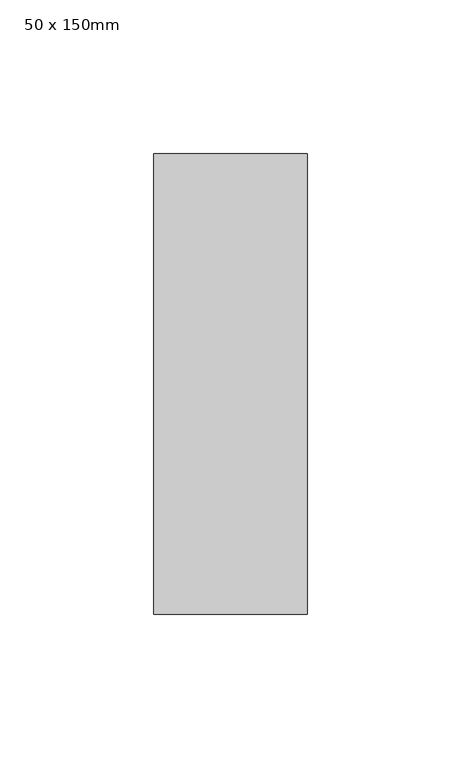
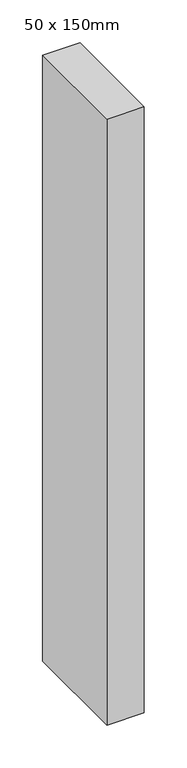
"""IFC4 building model written with IfcOpenShell, lengths in millimetres: member geometry, 50 x 150mm."""

import ifcopenshell
import ifcopenshell.guid

model = None  # the IFC model being written
_history = None  # IfcOwnerHistory: only IFC2X3 demands one
_inside = {}  # id of a spatial element -> (the spatial element, [elements in it])
_under = {}  # id of a project, library or spatial element -> (it, [spatial elements below it])
_declared = {}  # id of a project -> (the project, [libraries it declares])
_typed = {}  # id of a type object -> (the type object, [elements of that type])
_made_of = {}  # id of a material, layer set ... -> (it, [elements and type objects made of it])


def new_model(schema):
    """Start an empty IFC model of exactly this schema.

    Asked for "IFC4X3", IfcOpenShell would pick the latest addendum, in which some entities
    have other attributes; the version numbers below select the first issue.
    IFC2X3 requires an IfcOwnerHistory on every rooted entity: one is made here for all.
    """
    global model, _history
    if schema == "IFC4X3":
        model = ifcopenshell.file(schema_version=(4, 3, 0, 0))
    else:
        model = ifcopenshell.file(schema=schema)
    _inside.clear()
    _under.clear()
    _declared.clear()
    _typed.clear()
    _made_of.clear()
    _history = None
    if model.schema == "IFC2X3":
        org = make("IfcOrganization", Name="unknown")
        user = make(
            "IfcPersonAndOrganization",
            ThePerson=make("IfcPerson", FamilyName="unknown"),
            TheOrganization=org,
        )
        app = make(
            "IfcApplication",
            ApplicationDeveloper=org,
            Version="unknown",
            ApplicationFullName="unknown",
            ApplicationIdentifier="unknown",
        )
        _history = make(
            "IfcOwnerHistory",
            OwningUser=user,
            OwningApplication=app,
            ChangeAction="ADDED",
            CreationDate=0,
        )
    return model


def make(cls, **values):
    """One entity of the class cls with the attributes given. An attribute that is None is left unset."""
    return model.create_entity(
        cls, **{name: value for name, value in values.items() if value is not None}
    )


def rooted(cls, **values):
    """An entity with a GlobalId (a new one), such as an element, a storey or a relation."""
    return make(cls, GlobalId=ifcopenshell.guid.new(), OwnerHistory=_history, **values)


def si_unit(unit_type, name, prefix=None):
    """IfcSIUnit, for example si_unit("LENGTHUNIT", "METRE", prefix="MILLI")."""
    return make("IfcSIUnit", UnitType=unit_type, Prefix=prefix, Name=name)


def assignment(units):
    """IfcUnitAssignment: the units of a project."""
    return None if units is None else make("IfcUnitAssignment", Units=units)


def point(xyz):
    """IfcCartesianPoint."""
    return None if xyz is None else make("IfcCartesianPoint", Coordinates=xyz)


def direction(xyz):
    """IfcDirection."""
    return None if xyz is None else make("IfcDirection", DirectionRatios=xyz)


def frame(location, z_axis=None, x_axis=None):
    """IfcAxis2Placement3D, a coordinate frame: its origin and axes. An axis left out is left unset."""
    return make(
        "IfcAxis2Placement3D",
        Location=point(location),
        Axis=direction(z_axis),
        RefDirection=direction(x_axis),
    )


def origin():
    """The frame at (0, 0, 0) with its axes left unset."""
    return frame((0.0, 0.0, 0.0))


def place(relative_to, where):
    """IfcLocalPlacement: puts the frame where relative to a parent placement (None: the world)."""
    return make(
        "IfcLocalPlacement", PlacementRelTo=relative_to, RelativePlacement=where
    )


def context(
    kind, dimensions, precision=None, world=None, true_north=None, identifier=None
):
    """IfcGeometricRepresentationContext, for example the 3D "Model" context."""
    return make(
        "IfcGeometricRepresentationContext",
        ContextIdentifier=identifier,
        ContextType=kind,
        CoordinateSpaceDimension=dimensions,
        Precision=precision,
        WorldCoordinateSystem=world,
        TrueNorth=true_north,
    )


def project(units=None, contexts=None):
    """IfcProject with its units and contexts."""
    return rooted(
        "IfcProject",
        Name="project",
        RepresentationContexts=contexts,
        UnitsInContext=assignment(units),
    )


def spatial(cls, under=None, at=None, **own):
    """A site, building, storey or space (cls), placed at a placement, below another one or the project."""
    s = rooted(cls, ObjectPlacement=at, **own)
    if under is not None:
        _under.setdefault(under.id(), (under, []))[1].append(s)
    return s


def polyline(points):
    """IfcPolyline through the points."""
    return make("IfcPolyline", Points=[point(p) for p in points])


def outline(outer, holes=None, kind="AREA"):
    """IfcArbitraryClosedProfileDef: a profile drawn as a closed curve; with holes, ...WithVoids."""
    if holes is None:
        return make("IfcArbitraryClosedProfileDef", ProfileType=kind, OuterCurve=outer)
    return make(
        "IfcArbitraryProfileDefWithVoids",
        ProfileType=kind,
        OuterCurve=outer,
        InnerCurves=holes,
    )


def extrude(swept, where, along, depth):
    """IfcExtrudedAreaSolid: the profile swept, set in the frame where, extruded along a direction by depth."""
    return make(
        "IfcExtrudedAreaSolid",
        SweptArea=swept,
        Position=where,
        ExtrudedDirection=direction(along),
        Depth=depth,
    )


def shape(context_of_items, identifier, shape_type, items):
    """IfcShapeRepresentation: the items that make up one representation, for example the "Body"."""
    return make(
        "IfcShapeRepresentation",
        ContextOfItems=context_of_items,
        RepresentationIdentifier=identifier,
        RepresentationType=shape_type,
        Items=items,
    )


def source(mapping_origin, context_of_items, identifier, shape_type, items):
    """IfcRepresentationMap: a shape defined once, which mapped items show again and again."""
    return make(
        "IfcRepresentationMap",
        MappingOrigin=mapping_origin,
        MappedRepresentation=shape(context_of_items, identifier, shape_type, items),
    )


def transform(
    local_origin,
    x_axis=None,
    y_axis=None,
    z_axis=None,
    scale=None,
    scale2=None,
    scale3=None,
    uniform=True,
):
    """IfcCartesianTransformationOperator3D, or its non-uniform kind. x_axis, y_axis, z_axis: its Axis1, 2, 3."""
    if uniform:
        return make(
            "IfcCartesianTransformationOperator3D",
            Axis1=direction(x_axis),
            Axis2=direction(y_axis),
            LocalOrigin=point(local_origin),
            Scale=scale,
            Axis3=direction(z_axis),
        )
    return make(
        "IfcCartesianTransformationOperator3DnonUniform",
        Axis1=direction(x_axis),
        Axis2=direction(y_axis),
        LocalOrigin=point(local_origin),
        Scale=scale,
        Axis3=direction(z_axis),
        Scale2=scale2,
        Scale3=scale3,
    )


def mapped(mapping_source, mapping_target):
    """IfcMappedItem: shows the shape of a source again, moved by a transform."""
    return make(
        "IfcMappedItem", MappingSource=mapping_source, MappingTarget=mapping_target
    )


def made_of(thing, what):
    """Note that an element or type object is made of a material, layer set ...; save() writes the relation."""
    if what is not None:
        _made_of.setdefault(what.id(), (what, []))[1].append(thing)
    return thing


def element(
    cls,
    number,
    at=None,
    inside=None,
    cuts=None,
    type_object=None,
    material=None,
    context=None,
    identifier="Body",
    shape_type=None,
    held_by="IfcProductDefinitionShape",
    body=None,
    shapes=None,
    **own,
):
    """One element of the class cls, such as IfcWall. Its Tag is "e" and its number.

    at: its placement. inside: the storey or other place that contains it. cuts: it is an
    opening in that element (IfcRelVoidsElement). A single representation is given by context,
    identifier, shape_type and body (its items); several are given by shapes. held_by: the class
    of the entity that holds the representations. save() writes the other relations.
    """
    e = rooted(cls, Tag="e%d" % number, ObjectPlacement=at, **own)
    if body is not None:
        shapes = [shape(context, identifier, shape_type, body)]
    if shapes is not None:
        e.Representation = make(held_by, Representations=shapes)
    if inside is not None:
        _inside.setdefault(inside.id(), (inside, []))[1].append(e)
    if cuts is not None:
        rooted(
            "IfcRelVoidsElement", RelatingBuildingElement=cuts, RelatedOpeningElement=e
        )
    if type_object is not None:
        _typed.setdefault(type_object.id(), (type_object, []))[1].append(e)
    return made_of(e, material)


def aggregate(whole, parts):
    """IfcRelAggregates: a whole, such as a stair, and the parts it consists of."""
    return rooted("IfcRelAggregates", RelatingObject=whole, RelatedObjects=parts)


def save(model, path):
    """Write the relations noted so far, then the file.

    IfcRelAggregates (storeys below a building ...), IfcRelContainedInSpatialStructure (elements
    in a storey), IfcRelDefinesByType, IfcRelAssociatesMaterial and IfcRelDeclares: one each for
    every whole, place, type object, material and project.
    """
    for whole, parts in _under.values():
        aggregate(whole, parts)
    for where, things in _inside.values():
        rooted(
            "IfcRelContainedInSpatialStructure",
            RelatedElements=things,
            RelatingStructure=where,
        )
    for kind, things in _typed.values():
        rooted("IfcRelDefinesByType", RelatedObjects=things, RelatingType=kind)
    for what, things in _made_of.values():
        rooted("IfcRelAssociatesMaterial", RelatedObjects=things, RelatingMaterial=what)
    for by, libraries in _declared.values():
        rooted("IfcRelDeclares", RelatingContext=by, RelatedDefinitions=libraries)
    model.write(path)


def member_50_x_150mm_86e1f26c(model_context):
    return source(origin(), model_context, "Body", "SweptSolid", [
        extrude(outline(polyline([(25.0, 75.0), (25.0, -75.0), (-25.0, -75.0), (-25.0, 75.0), (25.0, 75.0)])), frame((0.0, 0.0, -861.5669052), z_axis=(0.0, 0.0, 1.0), x_axis=(1.0, 0.0, 0.0)), (0.0, 0.0, 1.0), 861.5669052),
    ])


if __name__ == "__main__":
    model = new_model("IFC4")
    model_context = context("Model", 3, world=origin())
    ifc_project = project(units=[si_unit("LENGTHUNIT", "METRE", prefix="MILLI")], contexts=[model_context])
    site = spatial("IfcSite", under=ifc_project)
    building = spatial("IfcBuilding", under=site)
    placement = place(None, origin())
    member_50_x_150mm_shape = member_50_x_150mm_86e1f26c(model_context)
    element("IfcMember", 1, ObjectType="50 x 150mm", at=placement, inside=building, context=model_context, shape_type="MappedRepresentation", body=[
        mapped(member_50_x_150mm_shape, transform((0.0, 0.0, 0.0), x_axis=(1.0, 0.0, 0.0), y_axis=(0.0, 1.0, 0.0), z_axis=(0.0, 0.0, 1.0))),
    ])
    save(model, "model.ifc")
